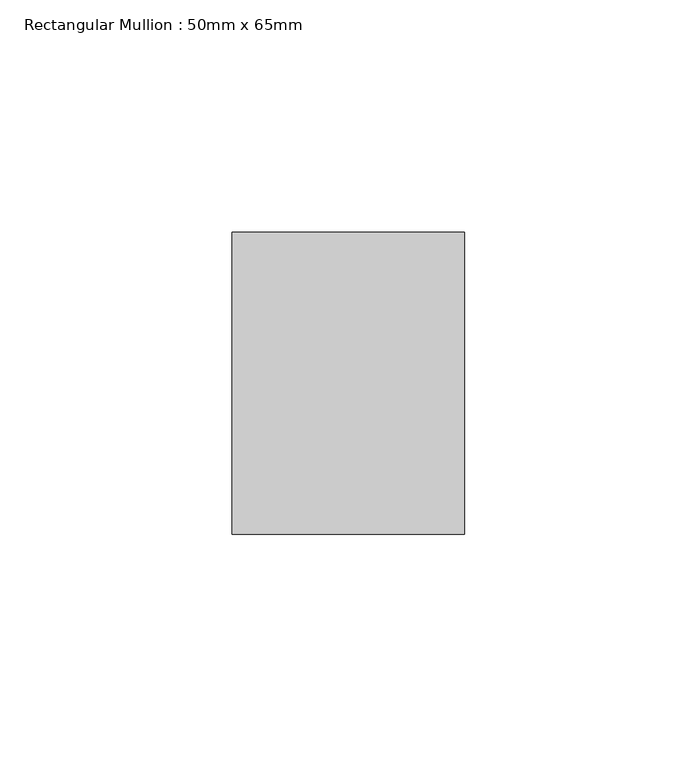
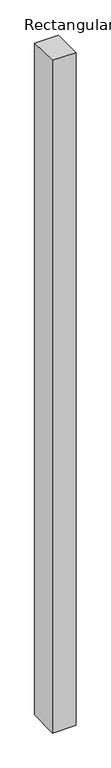
"""IFC4 building model written with IfcOpenShell, lengths in millimetres: member geometry, Rectangular Mullion : 50mm x 65mm."""

from ifc_helpers import new_model, si_unit, origin, place, context, project, spatial, faceted_brep, source, transform, mapped, element, save


def rectangular_mullion_50mm_x_65mm_cfe395de(model_context):
    return source(origin(), model_context, "Body", "Brep", [
        faceted_brep([(-25.0, 32.5, -0.5637253), (25.0, 32.5, -0.5637245), (25.0, 32.5, -1499.5035453), (-25.0, 32.5, -1499.5035445), (-25.0, -32.5, 0.5637245), (-25.0, -32.5, -1500.4969006), (25.0, -32.5, 0.5637253), (25.0, -32.5, -1500.4969013)], [[[0, 1, 2, 3]], [[4, 0, 3, 5]], [[6, 4, 5, 7]], [[1, 6, 7, 2]], [[1, 0, 4, 6]], [[2, 7, 5, 3]]]),
    ])


if __name__ == "__main__":
    model = new_model("IFC4")
    model_context = context("Model", 3, world=origin())
    ifc_project = project(units=[si_unit("LENGTHUNIT", "METRE", prefix="MILLI")], contexts=[model_context])
    site = spatial("IfcSite", under=ifc_project)
    building = spatial("IfcBuilding", under=site)
    placement = place(None, origin())
    rectangular_mullion_50mm_x_65mm_shape = rectangular_mullion_50mm_x_65mm_cfe395de(model_context)
    element("IfcMember", 1, ObjectType="Rectangular Mullion : 50mm x 65mm", at=placement, inside=building, context=model_context, shape_type="MappedRepresentation", body=[
        mapped(rectangular_mullion_50mm_x_65mm_shape, transform((0.0, 0.0, 0.0), x_axis=(1.0, 0.0, 0.0), y_axis=(0.0, 1.0, 0.0), z_axis=(0.0, 0.0, 1.0))),
    ])
    save(model, "model.ifc")
